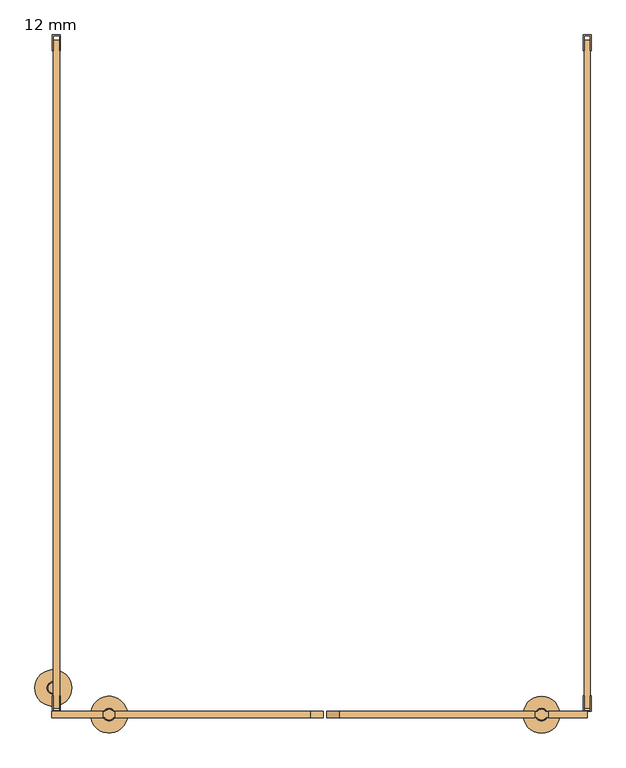
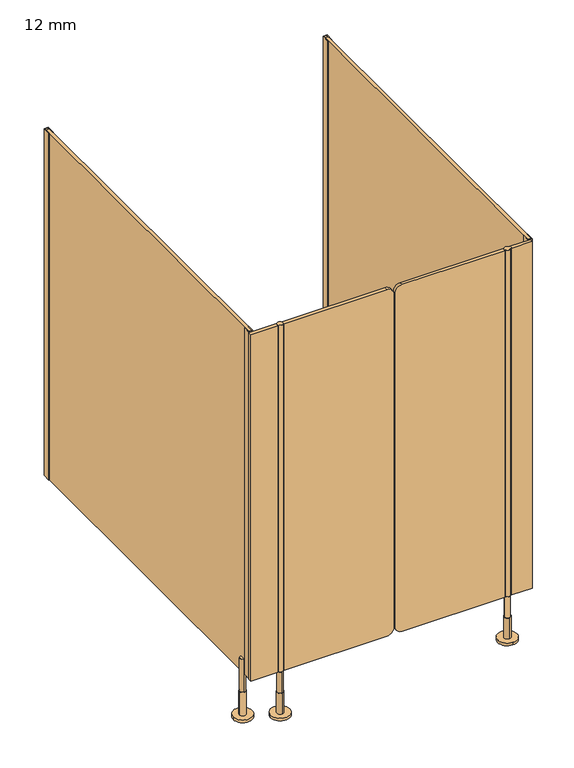
"""IFC4 building model written with IfcOpenShell, lengths in millimetres: door geometry, 12 mm."""

from ifc_helpers import new_model, si_unit, point, frame, frame_2d, origin, place, context, project, spatial, polyline, circle_curve, trimmed, segment, composite_curve, outline, extrude, source, transform, mapped, element, save
from ifc_brep_helpers import plane_surface, cylinder_surface, advanced_brep


def door_12_mm_16efe426(model_context):
    return source(origin(), model_context, "Body", "SolidModel", [
        advanced_brep(
        [(429.0, -1296.0, 170.0), (409.0, -1296.0, 170.0), (409.0, -1296.0, 90.0), (429.0, -1296.0, 90.0), (419.0, -1284.0, 90.0), (419.0, -1308.0, 90.0), (419.0, -1284.0, 10.0), (419.0, -1308.0, 10.0), (419.0, -1261.0, 10.0), (419.0, -1331.0, 10.0), (419.0, -1261.0, 0.0), (419.0, -1331.0, 0.0)],
        [
            (0, 1, circle_curve(frame((419.0, -1296.0, 170.0), z_axis=(0.0, 0.0, 1.0), x_axis=(-1.0, 0.0, 0.0)), 10.0)),
            (1, 0, circle_curve(frame((419.0, -1296.0, 170.0), z_axis=(0.0, 0.0, 1.0), x_axis=(-1.0, 0.0, 0.0)), 10.0)),
            (1, 2),
            (2, 3, circle_curve(frame((419.0, -1296.0, 90.0), z_axis=(0.0, 0.0, 1.0), x_axis=(-1.0, 0.0, 0.0)), 10.0)),
            (3, 0),
            (3, 2, circle_curve(frame((419.0, -1296.0, 90.0), z_axis=(0.0, 0.0, 1.0), x_axis=(-1.0, 0.0, 0.0)), 10.0)),
            (4, 5, circle_curve(frame((419.0, -1296.0, 90.0), z_axis=(0.0, 0.0, 1.0), x_axis=(0.0, -1.0, 0.0)), 12.0)),
            (5, 4, circle_curve(frame((419.0, -1296.0, 90.0), z_axis=(0.0, 0.0, 1.0), x_axis=(0.0, -1.0, 0.0)), 12.0)),
            (4, 6),
            (6, 7, circle_curve(frame((419.0, -1296.0, 10.0), z_axis=(0.0, 0.0, 1.0), x_axis=(0.0, -1.0, 0.0)), 12.0)),
            (7, 5),
            (7, 6, circle_curve(frame((419.0, -1296.0, 10.0), z_axis=(0.0, 0.0, 1.0), x_axis=(0.0, -1.0, 0.0)), 12.0)),
            (8, 9, circle_curve(frame((419.0, -1296.0, 10.0), z_axis=(0.0, 0.0, 1.0), x_axis=(0.0, -1.0, 0.0)), 35.0)),
            (9, 8, circle_curve(frame((419.0, -1296.0, 10.0), z_axis=(0.0, 0.0, 1.0), x_axis=(0.0, -1.0, 0.0)), 35.0)),
            (10, 11, circle_curve(frame((419.0, -1296.0, 0.0), z_axis=(0.0, 0.0, -1.0), x_axis=(0.0, -1.0, 0.0)), 35.0)),
            (11, 10, circle_curve(frame((419.0, -1296.0, 0.0), z_axis=(0.0, 0.0, -1.0), x_axis=(0.0, -1.0, 0.0)), 35.0)),
            (8, 10),
            (11, 9),
        ],
        [
            plane_surface(frame((419.0, -1290.0, 170.0), z_axis=(0.0, 0.0, 1.0), x_axis=(0.0, -1.0, 0.0))),
            cylinder_surface(frame((419.0, -1296.0, 90.0), z_axis=(0.0, 0.0, -1.0), x_axis=(-1.0, 0.0, 0.0)), 10.0),
            plane_surface(frame((419.0, -1290.0, 90.0), z_axis=(0.0, 0.0, 1.0), x_axis=(0.0, -1.0, 0.0))),
            cylinder_surface(frame((419.0, -1296.0, 90.0), z_axis=(0.0, 0.0, 1.0), x_axis=(0.0, -1.0, 0.0)), 12.0),
            plane_surface(frame((419.0, -1290.0, 10.0), z_axis=(0.0, 0.0, 1.0), x_axis=(0.0, -1.0, 0.0))),
            plane_surface(frame((419.0, -1290.0, 0.0), z_axis=(0.0, 0.0, -1.0), x_axis=(0.0, -1.0, 0.0))),
            cylinder_surface(frame((419.0, -1296.0, 10.0), z_axis=(0.0, 0.0, 1.0), x_axis=(0.0, -1.0, 0.0)), 35.0),
        ],
        [
            (0, [[1, 2]]),
            (1, [[-2, 3, 4, 5]]),
            (1, [[-1, -5, 6, -3]]),
            (2, [[7, 8], [-4, -6]]),
            (3, [[-7, 9, 10, 11]]),
            (3, [[-8, -11, 12, -9]]),
            (4, [[13, 14], [-10, -12]]),
            (5, [[15, 16]]),
            (6, [[-13, 17, -16, 18]]),
            (6, [[-14, -18, -15, -17]]),
        ],
    ),
        advanced_brep(
        [(-405.5, -1306.0, 170.0), (-405.5, -1286.0, 170.0), (-405.5, -1286.0, 90.0), (-405.5, -1306.0, 90.0), (-405.5, -1284.0, 90.0), (-405.5, -1308.0, 90.0), (-405.5, -1284.0, 10.0), (-405.5, -1308.0, 10.0), (-370.5, -1296.0, 0.0), (-440.5, -1296.0, 0.0), (-370.5, -1296.0, 10.0), (-440.5, -1296.0, 10.0)],
        [
            (0, 1, circle_curve(frame((-405.5, -1296.0, 170.0), z_axis=(0.0, 0.0, -1.0), x_axis=(0.0, -1.0, 0.0)), 10.0)),
            (1, 2),
            (2, 3, circle_curve(frame((-405.5, -1296.0, 90.0), z_axis=(0.0, 0.0, 1.0), x_axis=(0.0, -1.0, 0.0)), 10.0)),
            (3, 0),
            (1, 0, circle_curve(frame((-405.5, -1296.0, 170.0), z_axis=(0.0, 0.0, -1.0), x_axis=(0.0, -1.0, 0.0)), 10.0)),
            (3, 2, circle_curve(frame((-405.5, -1296.0, 90.0), z_axis=(0.0, 0.0, 1.0), x_axis=(0.0, -1.0, 0.0)), 10.0)),
            (4, 5, circle_curve(frame((-405.5, -1296.0, 90.0), z_axis=(0.0, 0.0, 1.0), x_axis=(0.0, -1.0, 0.0)), 12.0)),
            (5, 4, circle_curve(frame((-405.5, -1296.0, 90.0), z_axis=(0.0, 0.0, 1.0), x_axis=(0.0, -1.0, 0.0)), 12.0)),
            (4, 6),
            (6, 7, circle_curve(frame((-405.5, -1296.0, 10.0), z_axis=(0.0, 0.0, 1.0), x_axis=(0.0, -1.0, 0.0)), 12.0)),
            (7, 5),
            (7, 6, circle_curve(frame((-405.5, -1296.0, 10.0), z_axis=(0.0, 0.0, 1.0), x_axis=(0.0, -1.0, 0.0)), 12.0)),
            (8, 9, circle_curve(frame((-405.5, -1296.0, 0.0), z_axis=(0.0, 0.0, -1.0), x_axis=(-1.0, 0.0, 0.0)), 35.0)),
            (9, 8, circle_curve(frame((-405.5, -1296.0, 0.0), z_axis=(0.0, 0.0, -1.0), x_axis=(-1.0, 0.0, 0.0)), 35.0)),
            (10, 11, circle_curve(frame((-405.5, -1296.0, 10.0), z_axis=(0.0, 0.0, 1.0), x_axis=(-1.0, 0.0, 0.0)), 35.0)),
            (11, 10, circle_curve(frame((-405.5, -1296.0, 10.0), z_axis=(0.0, 0.0, 1.0), x_axis=(-1.0, 0.0, 0.0)), 35.0)),
            (8, 10),
            (11, 9),
        ],
        [
            cylinder_surface(frame((-405.5, -1296.0, 170.0), z_axis=(0.0, 0.0, 1.0), x_axis=(0.0, -1.0, 0.0)), 10.0),
            plane_surface(frame((-405.5, -1290.0, 90.0), z_axis=(0.0, 0.0, 1.0), x_axis=(0.0, -1.0, 0.0))),
            cylinder_surface(frame((-405.5, -1296.0, 90.0), z_axis=(0.0, 0.0, 1.0), x_axis=(0.0, -1.0, 0.0)), 12.0),
            plane_surface(frame((-405.5, -1290.0, 0.0), z_axis=(0.0, 0.0, -1.0), x_axis=(0.0, -1.0, 0.0))),
            plane_surface(frame((-405.5, -1290.0, 10.0), z_axis=(0.0, 0.0, 1.0), x_axis=(0.0, -1.0, 0.0))),
            cylinder_surface(frame((-405.5, -1296.0, 0.0), z_axis=(0.0, 0.0, -1.0), x_axis=(-1.0, 0.0, 0.0)), 35.0),
            plane_surface(frame((-405.5, -1290.0, 170.0), z_axis=(0.0, 0.0, 1.0), x_axis=(0.0, -1.0, 0.0))),
        ],
        [
            (0, [[1, 2, 3, 4]]),
            (0, [[5, -4, 6, -2]]),
            (1, [[7, 8], [-3, -6]]),
            (2, [[-7, 9, 10, 11]]),
            (2, [[-8, -11, 12, -9]]),
            (3, [[13, 14]]),
            (4, [[15, 16], [-10, -12]]),
            (5, [[-13, 17, -16, 18]]),
            (5, [[-14, -18, -15, -17]]),
            (6, [[-1, -5]]),
        ],
    ),
        extrude(outline(composite_curve([segment(polyline([(170.0, 406.0), (1500.0, 406.0), (1500.0, 34.0002203)]), True, "CONTINUOUS"), segment(trimmed(circle_curve(frame_2d((1475.0, 34.0002203)), 25.0), [point((1500.0, 34.0002203))], [point((1475.0, 9.0002203))], False, "CARTESIAN"), True, "CONTINUOUS"), segment(polyline([(1475.0, 9.0002203), (195.0, 9.0002203)]), True, "CONTINUOUS"), segment(trimmed(circle_curve(frame_2d((195.0, 34.0002203)), 25.0), [point((195.0, 9.0002203))], [point((170.0, 34.0002203))], False, "CARTESIAN"), True, "CONTINUOUS"), segment(polyline([(170.0, 34.0002203), (170.0, 406.0)]), True, "CONTINUOUS")], self_intersect=False)), frame((0.0, -1302.0, 0.0), z_axis=(0.0, 1.0, 0.0), x_axis=(0.0, 0.0, 1.0)), (0.0, 0.0, 1.0), 12.0),
        extrude(outline(composite_curve([segment(polyline([(1500.0, -394.0), (170.0, -394.0), (170.0, -22.0002203)]), True, "CONTINUOUS"), segment(trimmed(circle_curve(frame_2d((195.0, -22.0002203)), 25.0), [point((170.0, -22.0002203))], [point((195.0, 2.9997797))], False, "CARTESIAN"), True, "CONTINUOUS"), segment(polyline([(195.0, 2.9997797), (1475.0, 2.9997797)]), True, "CONTINUOUS"), segment(trimmed(circle_curve(frame_2d((1475.0, -22.0002203)), 25.0), [point((1475.0, 2.9997797))], [point((1500.0, -22.0002203))], False, "CARTESIAN"), True, "CONTINUOUS"), segment(polyline([(1500.0, -22.0002203), (1500.0, -394.0)]), True, "CONTINUOUS")], self_intersect=False)), frame((0.0, -1302.0, 0.0), z_axis=(0.0, 1.0, 0.0), x_axis=(0.0, 0.0, 1.0)), (0.0, 0.0, 1.0), 12.0),
        extrude(outline(composite_curve([segment(trimmed(circle_curve(frame_2d((-405.5, -1296.0)), 10.0), [point((-413.5, -1290.0))], [point((-397.5, -1290.0))], False, "CARTESIAN"), True, "CONTINUOUS"), segment(trimmed(circle_curve(frame_2d((-405.5, -1296.0)), 10.0), [point((-397.5, -1290.0))], [point((-396.8391323, -1291.0010631))], False, "CARTESIAN"), True, "CONTINUOUS"), segment(polyline([(-396.8391323, -1291.0010631), (-394.0, -1291.0010631), (-394.0, -1300.9989369), (-396.8391323, -1300.9989369)]), True, "CONTINUOUS"), segment(trimmed(circle_curve(frame_2d((-405.5, -1296.0)), 10.0), [point((-396.8391323, -1300.9989369))], [point((-414.1608677, -1300.9989369))], False, "CARTESIAN"), True, "CONTINUOUS"), segment(polyline([(-414.1608677, -1300.9989369), (-417.0, -1300.9989369), (-417.0, -1291.0010631), (-414.1608677, -1291.0010631)]), True, "CONTINUOUS"), segment(trimmed(circle_curve(frame_2d((-405.5, -1296.0)), 10.0), [point((-414.1608677, -1291.0010631))], [point((-413.5, -1290.0))], False, "CARTESIAN"), True, "CONTINUOUS")], self_intersect=False)), frame((0.0, 0.0, 170.0), z_axis=(0.0, 0.0, 1.0), x_axis=(1.0, 0.0, 0.0)), (0.0, 0.0, 1.0), 1330.0),
        extrude(outline(composite_curve([segment(trimmed(circle_curve(frame_2d((419.0, -1296.0)), 10.0), [point((427.6608677, -1300.9989369))], [point((410.3391323, -1300.9989369))], False, "CARTESIAN"), True, "CONTINUOUS"), segment(polyline([(410.3391323, -1300.9989369), (406.0, -1300.9989369), (406.0, -1291.0010631), (410.3391323, -1291.0010631)]), True, "CONTINUOUS"), segment(trimmed(circle_curve(frame_2d((419.0, -1296.0)), 10.0), [point((410.3391323, -1291.0010631))], [point((427.6608677, -1291.0010631))], False, "CARTESIAN"), True, "CONTINUOUS"), segment(polyline([(427.6608677, -1291.0010631), (432.0, -1291.0010631), (432.0, -1300.9989369), (427.6608677, -1300.9989369)]), True, "CONTINUOUS")], self_intersect=False)), frame((0.0, 0.0, 170.0), z_axis=(0.0, 0.0, 1.0), x_axis=(1.0, 0.0, 0.0)), (0.0, 0.0, 1.0), 1330.0),
        extrude(outline(polyline([(498.5, 0.0), (513.5, 0.0), (513.5, -30.0), (512.0, -30.0), (512.0, -1.5), (500.0, -1.5), (500.0, -30.0), (498.5, -30.0), (498.5, 0.0)])), frame((0.0, 0.0, 170.0), z_axis=(0.0, 0.0, 1.0), x_axis=(1.0, 0.0, 0.0)), (0.0, 0.0, 1.0), 1330.0),
        extrude(outline(polyline([(-513.5, 0.0), (-498.5, 0.0), (-498.5, -30.0), (-500.0, -30.0), (-500.0, -1.5), (-512.0, -1.5), (-512.0, -30.0), (-513.5, -30.0), (-513.5, 0.0)])), frame((0.0, 0.0, 170.0), z_axis=(0.0, 0.0, 1.0), x_axis=(1.0, 0.0, 0.0)), (0.0, 0.0, 1.0), 1330.0),
        extrude(outline(polyline([(432.0, -1290.0), (506.0, -1290.0), (506.0, -1302.0), (432.0, -1302.0), (432.0, -1290.0)])), frame((0.0, 0.0, 170.0), z_axis=(0.0, 0.0, 1.0), x_axis=(1.0, 0.0, 0.0)), (0.0, 0.0, 1.0), 1330.0),
        extrude(outline(polyline([(-417.0, -1290.0), (-417.0, -1302.0), (-515.0, -1302.0), (-515.0, -1290.0), (-417.0, -1290.0)])), frame((0.0, 0.0, 170.0), z_axis=(0.0, 0.0, 1.0), x_axis=(1.0, 0.0, 0.0)), (0.0, 0.0, 1.0), 1330.0),
        extrude(outline(polyline([(513.5, -1290.0), (498.5, -1290.0), (498.5, -1260.0), (500.0, -1260.0), (500.0, -1288.5), (512.0, -1288.5), (512.0, -1260.0), (513.5, -1260.0), (513.5, -1290.0)])), frame((0.0, 0.0, 170.0), z_axis=(0.0, 0.0, 1.0), x_axis=(1.0, 0.0, 0.0)), (0.0, 0.0, 1.0), 1330.0),
        extrude(outline(polyline([(-498.5, -1290.0), (-513.5, -1290.0), (-513.5, -1260.0), (-512.0, -1260.0), (-512.0, -1288.5), (-500.0, -1288.5), (-500.0, -1260.0), (-498.5, -1260.0), (-498.5, -1290.0)])), frame((0.0, 0.0, 170.0), z_axis=(0.0, 0.0, 1.0), x_axis=(1.0, 0.0, 0.0)), (0.0, 0.0, 1.0), 1330.0),
        advanced_brep(
        [(-547.0, -1245.0, 0.0), (-477.0, -1245.0, 0.0), (-547.0, -1245.0, 10.0), (-477.0, -1245.0, 10.0), (-524.0, -1245.0, 10.0), (-500.0, -1245.0, 10.0), (-524.0, -1245.0, 100.0), (-500.0, -1245.0, 100.0), (-512.0, -1235.0, 100.0), (-512.0, -1255.0, 100.0), (-512.0, -1255.0, 225.5), (-512.0, -1235.0, 225.5)],
        [
            (0, 1, circle_curve(frame((-512.0, -1245.0, 0.0), z_axis=(0.0, 0.0, -1.0), x_axis=(1.0, 0.0, 0.0)), 35.0)),
            (1, 0, circle_curve(frame((-512.0, -1245.0, 0.0), z_axis=(0.0, 0.0, -1.0), x_axis=(1.0, 0.0, 0.0)), 35.0)),
            (2, 3, circle_curve(frame((-512.0, -1245.0, 10.0), z_axis=(0.0, 0.0, 1.0), x_axis=(1.0, 0.0, 0.0)), 35.0)),
            (3, 2, circle_curve(frame((-512.0, -1245.0, 10.0), z_axis=(0.0, 0.0, 1.0), x_axis=(1.0, 0.0, 0.0)), 35.0)),
            (4, 5, circle_curve(frame((-512.0, -1245.0, 10.0), z_axis=(0.0, 0.0, -1.0), x_axis=(1.0, 0.0, 0.0)), 12.0)),
            (5, 4, circle_curve(frame((-512.0, -1245.0, 10.0), z_axis=(0.0, 0.0, -1.0), x_axis=(1.0, 0.0, 0.0)), 12.0)),
            (0, 2),
            (3, 1),
            (6, 7, circle_curve(frame((-512.0, -1245.0, 100.0), z_axis=(0.0, 0.0, 1.0), x_axis=(1.0, 0.0, 0.0)), 12.0)),
            (7, 6, circle_curve(frame((-512.0, -1245.0, 100.0), z_axis=(0.0, 0.0, 1.0), x_axis=(1.0, 0.0, 0.0)), 12.0)),
            (8, 9, circle_curve(frame((-512.0, -1245.0, 100.0), z_axis=(0.0, 0.0, -1.0), x_axis=(0.0, 1.0, 0.0)), 10.0)),
            (9, 8, circle_curve(frame((-512.0, -1245.0, 100.0), z_axis=(0.0, 0.0, -1.0), x_axis=(0.0, 1.0, 0.0)), 10.0)),
            (7, 5),
            (4, 6),
            (10, 11, circle_curve(frame((-512.0, -1245.0, 225.5), z_axis=(0.0, 0.0, 1.0), x_axis=(0.0, 1.0, 0.0)), 10.0)),
            (11, 10, circle_curve(frame((-512.0, -1245.0, 225.5), z_axis=(0.0, 0.0, 1.0), x_axis=(0.0, 1.0, 0.0)), 10.0)),
            (10, 9),
            (8, 11),
        ],
        [
            plane_surface(frame((-506.0, -1296.0, 0.0), z_axis=(0.0, 0.0, -1.0), x_axis=(0.0, 1.0, 0.0))),
            plane_surface(frame((-506.0, -1296.0, 10.0), z_axis=(0.0, 0.0, 1.0), x_axis=(0.0, 1.0, 0.0))),
            cylinder_surface(frame((-512.0, -1245.0, 0.0), z_axis=(0.0, 0.0, -1.0), x_axis=(1.0, 0.0, 0.0)), 35.0),
            plane_surface(frame((-506.0, -1405.0, 100.0), z_axis=(0.0, 0.0, 1.0), x_axis=(0.0, 1.0, 0.0))),
            cylinder_surface(frame((-512.0, -1245.0, 10.0), z_axis=(0.0, 0.0, -1.0), x_axis=(1.0, 0.0, 0.0)), 12.0),
            plane_surface(frame((-506.0, -1296.0, 225.5), z_axis=(0.0, 0.0, 1.0), x_axis=(0.0, 1.0, 0.0))),
            cylinder_surface(frame((-512.0, -1245.0, 225.5), z_axis=(0.0, 0.0, 1.0), x_axis=(0.0, 1.0, 0.0)), 10.0),
        ],
        [
            (0, [[1, 2]]),
            (1, [[3, 4], [5, 6]]),
            (2, [[-1, 7, -4, 8]]),
            (2, [[-2, -8, -3, -7]]),
            (3, [[9, 10], [11, 12]]),
            (4, [[-10, 13, -5, 14]]),
            (4, [[-9, -14, -6, -13]]),
            (5, [[15, 16]]),
            (6, [[-15, 17, -11, 18]]),
            (6, [[-16, -18, -12, -17]]),
        ],
    ),
        extrude(outline(polyline([(512.0, -10.0), (512.0, -1284.0), (500.0, -1284.0), (500.0, -10.0), (512.0, -10.0)])), frame((0.0, 0.0, 170.0), z_axis=(0.0, 0.0, 1.0), x_axis=(1.0, 0.0, 0.0)), (0.0, 0.0, 1.0), 1330.0),
        extrude(outline(polyline([(-512.0, -10.0), (-500.0, -10.0), (-500.0, -1284.0), (-512.0, -1284.0), (-512.0, -10.0)])), frame((0.0, 0.0, 170.0), z_axis=(0.0, 0.0, 1.0), x_axis=(1.0, 0.0, 0.0)), (0.0, 0.0, 1.0), 1330.0),
    ])


if __name__ == "__main__":
    model = new_model("IFC4")
    model_context = context("Model", 3, world=origin())
    ifc_project = project(units=[si_unit("LENGTHUNIT", "METRE", prefix="MILLI")], contexts=[model_context])
    site = spatial("IfcSite", under=ifc_project)
    building = spatial("IfcBuilding", under=site)
    placement = place(None, origin())
    door_12_mm_shape = door_12_mm_16efe426(model_context)
    element("IfcDoor", 1, ObjectType="12 mm", at=placement, inside=building, context=model_context, shape_type="MappedRepresentation", body=[
        mapped(door_12_mm_shape, transform((0.0, 0.0, 0.0), x_axis=(1.0, 0.0, 0.0), y_axis=(0.0, 1.0, 0.0), z_axis=(0.0, 0.0, 1.0))),
    ])
    save(model, "model.ifc")
